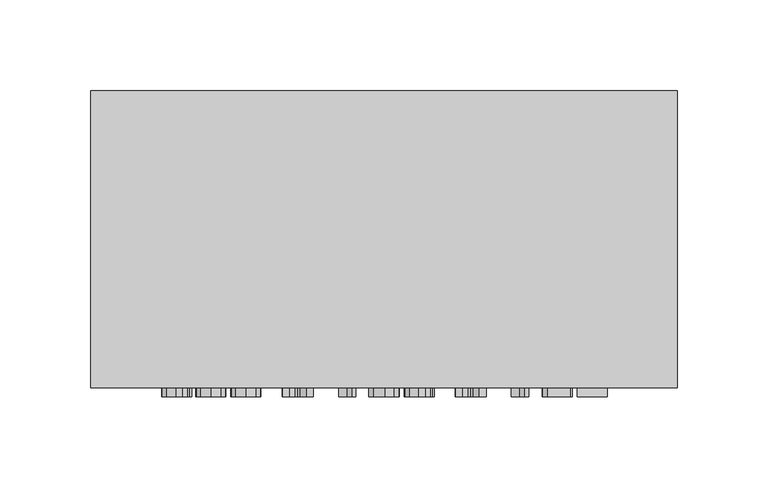
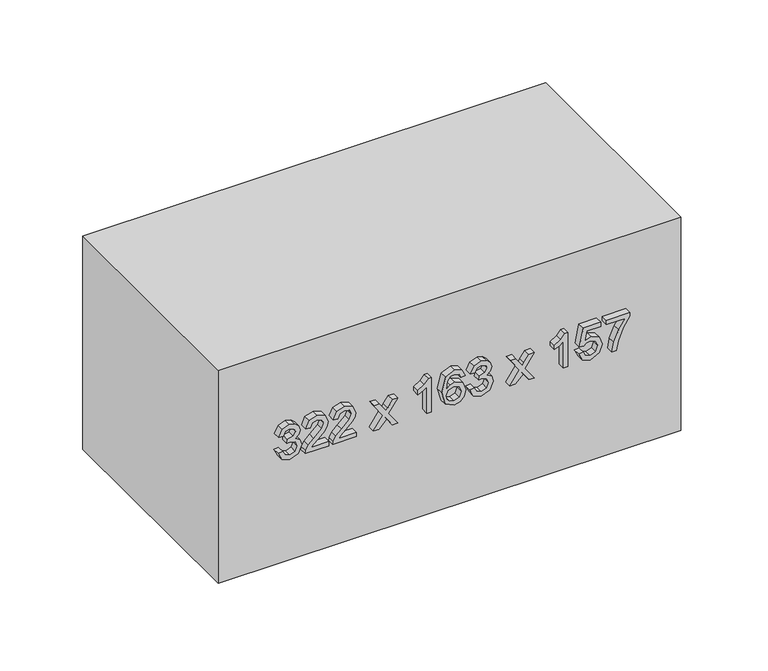
"""IFC4 building model written with IfcOpenShell, lengths in millimetres: furniture geometry."""

from ifc_helpers import new_model, si_unit, frame, origin, origin_with_axes, place, context, project, spatial, polyline, outline, extrude, source, transform, mapped, element, save


def furniture_6cd6a360(model_context):
    return source(origin(), model_context, "Body", "SweptSolid", [
        extrude(outline(polyline([(85.1709268, -77.5345978), (80.0757612, -75.0391316), (78.1075925, -69.5331644), (80.4129864, -63.4569801), (86.0293182, -61.0534844), (90.1128083, -62.2552323), (92.2587866, -65.6765349), (94.3373199, -63.1013609), (97.2313249, -62.2307068), (100.3981758, -63.1473461), (102.7526205, -65.7960965), (103.6140775, -69.5822154), (101.8666381, -74.5731478), (96.9431507, -77.1421904), (96.5507432, -74.0029307), (99.4937992, -72.4639577), (100.4748178, -69.4718508), (99.5029962, -66.5165321), (97.0473839, -65.3699665), (94.2760062, -66.9518591), (93.4114835, -71.0169551), (90.2722238, -71.366443), (90.6155804, -69.1652824), (89.3310591, -65.5968271), (86.0845005, -64.1927441), (82.6386724, -65.6090898), (81.2468522, -69.4227998), (82.2585277, -72.6632271), (85.5633343, -74.3953381), (85.1709268, -77.5345978)])), frame((0.0, -168.0, 0.0), z_axis=(0.0, 1.0, 0.0), x_axis=(0.0, 0.0, 1.0)), (0.0, 0.0, 1.0), 5.0),
        extrude(outline(polyline([(81.6392597, -42.2179263), (81.6392597, -54.5481045), (83.2364807, -53.1317588), (86.2561787, -49.5203839), (90.5573324, -45.0230265), (93.6352784, -43.1682881), (96.6120569, -42.6103338), (101.6029893, -44.67967), (103.6140775, -50.2990675), (101.8053244, -55.9000708), (96.5507432, -58.3066322), (96.1583358, -55.1673725), (99.3282523, -53.846063), (100.4748178, -50.3665125), (99.3006611, -47.0279834), (96.4219845, -45.7495934), (92.8657919, -47.1046255), (87.6357362, -52.5247535), (83.9967701, -56.4549595), (80.6643724, -58.3618145), (78.5, -58.6990397), (78.5, -42.2179263), (81.6392597, -42.2179263)])), frame((0.0, -168.0, 0.0), z_axis=(0.0, 1.0, 0.0), x_axis=(0.0, 0.0, 1.0)), (0.0, 0.0, 1.0), 5.0),
        extrude(outline(polyline([(81.6392597, -22.9899607), (81.6392597, -35.3201389), (83.2364807, -33.9037932), (86.2561787, -30.2924183), (90.5573324, -25.7950609), (93.6352784, -23.9403225), (96.6120569, -23.3823681), (101.6029893, -25.4517044), (103.6140775, -31.0711018), (101.8053244, -36.6721052), (96.5507432, -39.0786666), (96.1583358, -35.9394069), (99.3282523, -34.6180974), (100.4748178, -31.1385469), (99.3006611, -27.8000178), (96.4219845, -26.5216278), (92.8657919, -27.8766598), (87.6357362, -33.2967879), (83.9967701, -37.2269939), (80.6643724, -39.1338489), (78.5, -39.4710741), (78.5, -22.9899607), (81.6392597, -22.9899607)])), frame((0.0, -168.0, 0.0), z_axis=(0.0, 1.0, 0.0), x_axis=(0.0, 0.0, 1.0)), (0.0, 0.0, 1.0), 5.0),
        extrude(outline(polyline([(78.5, -11.2177368), (78.5, -7.440815), (84.0734122, -1.9655047), (78.5, 1.8788622), (78.5, 5.655784), (87.7706263, -0.7331), (96.9431507, 5.9010387), (96.9431507, 2.1241169), (92.148422, -1.3462366), (90.4439021, -2.5786413), (92.5285667, -4.0011184), (96.9431507, -7.0484076), (96.9431507, -10.8253294), (87.7706263, -4.5100218), (78.5, -11.2177368)])), frame((0.0, -168.0, 0.0), z_axis=(0.0, 1.0, 0.0), x_axis=(0.0, 0.0, 1.0)), (0.0, 0.0, 1.0), 5.0),
        extrude(outline(polyline([(78.5, 29.2002317), (103.6140775, 29.2002317), (103.6140775, 27.1768807), (100.2724827, 24.3840433), (97.3355582, 19.7824526), (94.3679767, 19.7824526), (95.952935, 23.0872592), (98.0713221, 26.060972), (78.5, 26.060972), (78.5, 29.2002317)])), frame((0.0, -168.0, 0.0), z_axis=(0.0, 1.0, 0.0), x_axis=(0.0, 0.0, 1.0)), (0.0, 0.0, 1.0), 5.0),
        extrude(outline(polyline([(96.9431507, 52.7446794), (101.8421126, 50.4270228), (103.6140775, 45.4667473), (100.7507293, 39.0104182), (90.2231729, 36.263566), (80.9280212, 38.7375724), (78.1075925, 45.1356535), (79.1713846, 49.2498004), (82.2370679, 52.1008859), (86.5688784, 53.1370869), (92.3507571, 50.9359263), (94.5887059, 45.6016373), (93.7701685, 42.1711377), (91.2655052, 39.4028257), (96.8603772, 40.2949395), (99.7145284, 42.4378522), (100.4748178, 45.2705435), (99.1688368, 48.4159346), (96.5507432, 49.6054197), (96.9431507, 52.7446794)]), holes=[polyline([(86.6179294, 39.4028257), (90.115874, 40.9632585), (91.4494462, 44.7616401), (90.115874, 48.6090726), (86.4646452, 49.9978272), (82.6509352, 48.5906785), (81.2468522, 44.8903988), (81.9243682, 42.0607731), (83.8986683, 40.1293926), (86.6179294, 39.4028257)])]), frame((0.0, -168.0, 0.0), z_axis=(0.0, 1.0, 0.0), x_axis=(0.0, 0.0, 1.0)), (0.0, 0.0, 1.0), 5.0),
        extrude(outline(polyline([(85.1709268, 55.8839391), (80.0757612, 58.3794053), (78.1075925, 63.8853725), (80.4129864, 69.9615568), (86.0293182, 72.3650525), (90.1128083, 71.1633046), (92.2587866, 67.7420021), (94.3373199, 70.317176), (97.2313249, 71.1878301), (100.3981758, 70.2711908), (102.7526205, 67.6224404), (103.6140775, 63.8363215), (101.8666381, 58.8453891), (96.9431507, 56.2763465), (96.5507432, 59.4156062), (99.4937992, 60.9545793), (100.4748178, 63.9466861), (99.5029962, 66.9020048), (97.0473839, 68.0485704), (94.2760062, 66.4666778), (93.4114835, 62.4015818), (90.2722238, 62.0520939), (90.6155804, 64.2532545), (89.3310591, 67.8217098), (86.0845005, 69.2257928), (82.6386724, 67.8094471), (81.2468522, 63.9957371), (82.2585277, 60.7553098), (85.5633343, 59.0231988), (85.1709268, 55.8839391)])), frame((0.0, -168.0, 0.0), z_axis=(0.0, 1.0, 0.0), x_axis=(0.0, 0.0, 1.0)), (0.0, 0.0, 1.0), 5.0),
        extrude(outline(polyline([(78.5, 83.7448689), (78.5, 87.5217907), (84.0734122, 92.997101), (78.5, 96.8414679), (78.5, 100.6183897), (87.7706263, 94.2295057), (96.9431507, 100.8636444), (96.9431507, 97.0867225), (92.148422, 93.6163691), (90.4439021, 92.3839644), (92.5285667, 90.9614873), (96.9431507, 87.9141981), (96.9431507, 84.1372763), (87.7706263, 90.4525839), (78.5, 83.7448689)])), frame((0.0, -168.0, 0.0), z_axis=(0.0, 1.0, 0.0), x_axis=(0.0, 0.0, 1.0)), (0.0, 0.0, 1.0), 5.0),
        extrude(outline(polyline([(78.5, 124.1628374), (103.6140775, 124.1628374), (103.6140775, 122.1394864), (100.2724827, 119.3466489), (97.3355582, 114.7450583), (94.3679767, 114.7450583), (95.952935, 118.0498649), (98.0713221, 121.0235777), (78.5, 121.0235777), (78.5, 124.1628374)])), frame((0.0, -168.0, 0.0), z_axis=(0.0, 1.0, 0.0), x_axis=(0.0, 0.0, 1.0)), (0.0, 0.0, 1.0), 5.0),
        extrude(outline(polyline([(85.1709268, 131.6185792), (80.0420387, 134.0680601), (78.1075925, 139.6077498), (81.1180935, 146.1315239), (86.9428918, 148.0996925), (92.7309018, 145.9138604), (94.9811134, 140.5458489), (93.1662289, 135.9534553), (100.0824104, 137.2962246), (100.0824104, 146.9224702), (103.2216701, 146.9224702), (103.2216701, 134.7578389), (90.2722238, 132.0109866), (89.8798164, 135.1502463), (91.2961621, 136.9130142), (91.8418537, 139.6690635), (90.4745589, 143.6452547), (86.7466881, 144.9604329), (82.7521027, 143.5563499), (81.2468522, 139.6200126), (82.3290384, 136.3397314), (85.5633343, 134.7578389), (85.1709268, 131.6185792)])), frame((0.0, -168.0, 0.0), z_axis=(0.0, 1.0, 0.0), x_axis=(0.0, 0.0, 1.0)), (0.0, 0.0, 1.0), 5.0),
        extrude(outline(polyline([(100.0824104, 150.8465448), (100.0824104, 164.1883985), (93.5862275, 159.4427207), (85.5817284, 156.0183525), (78.5, 154.7706194), (78.5, 157.9098791), (85.324211, 159.0748387), (93.929584, 162.6524911), (100.6832843, 167.3276582), (103.2216701, 167.3276582), (103.2216701, 150.8465448), (100.0824104, 150.8465448)])), frame((0.0, -168.0, 0.0), z_axis=(0.0, 1.0, 0.0), x_axis=(0.0, 0.0, 1.0)), (0.0, 0.0, 1.0), 5.0),
        extrude(outline(polyline([(205.7003264, 0.0), (205.7003264, -163.0), (-116.2996736, -163.0), (-116.2996736, 0.0), (205.7003264, 0.0)])), origin_with_axes(), (0.0, 0.0, 1.0), 157.0),
    ])


if __name__ == "__main__":
    model = new_model("IFC4")
    model_context = context("Model", 3, world=origin())
    ifc_project = project(units=[si_unit("LENGTHUNIT", "METRE", prefix="MILLI")], contexts=[model_context])
    site = spatial("IfcSite", under=ifc_project)
    building = spatial("IfcBuilding", under=site)
    placement = place(None, origin())
    furniture_shape = furniture_6cd6a360(model_context)
    element("IfcFurniture", 1, at=placement, inside=building, context=model_context, shape_type="MappedRepresentation", body=[
        mapped(furniture_shape, transform((0.0, 0.0, 0.0), x_axis=(1.0, 0.0, 0.0), y_axis=(0.0, 1.0, 0.0), z_axis=(0.0, 0.0, 1.0))),
    ])
    save(model, "model.ifc")
